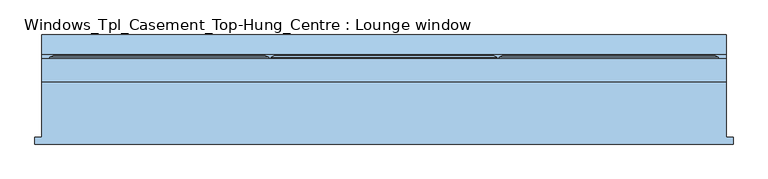
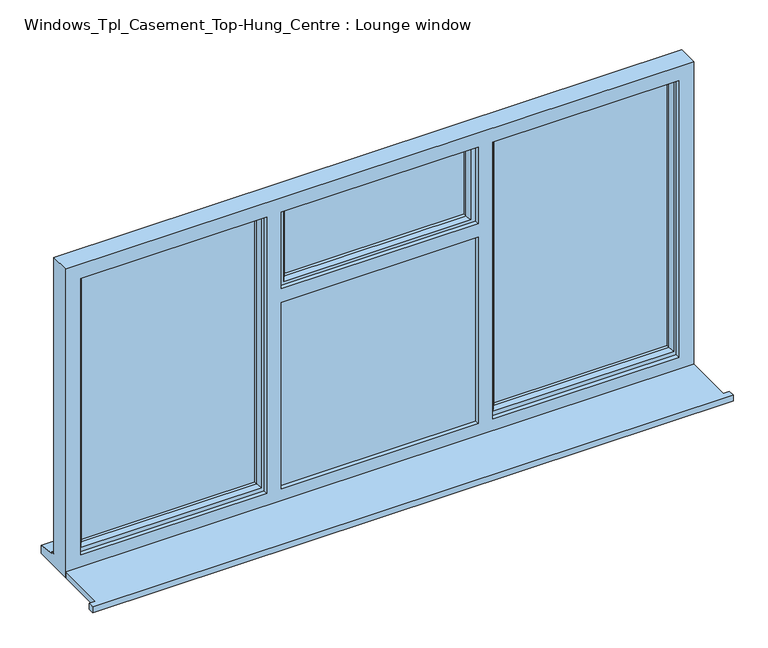
"""IFC4 building model written with IfcOpenShell, lengths in millimetres: window geometry, Windows_Tpl_Casement_Top-Hung_Centre : Lounge window."""

from ifc_helpers import new_model, si_unit, frame, origin, place, context, project, spatial, polyline, outline, extrude, faceted_brep, source, transform, mapped, element, save


def windows_tpl_casement_top_hung_centre_lounge_window_6c3f7fab(model_context):
    return source(origin(), model_context, "Body", "SolidModel", [
        extrude(outline(polyline([(-1966.6666667, -184.5434322), (-1966.6666667, -159.5434322), (-1941.6666667, -159.5434322), (-1941.6666667, 43.4565678), (558.3333333, 43.4565678), (558.3333333, -159.5434322), (583.3333333, -159.5434322), (583.3333333, -184.5434322), (-1966.6666667, -184.5434322)])), frame((0.0, 0.0, 810.0), z_axis=(0.0, 0.0, 1.0), x_axis=(1.0, 0.0, 0.0)), (0.0, 0.0, 1.0), 25.0),
        faceted_brep([(-1091.7025527, 138.0035732, 1711.6307806), (-1103.3333333, 132.2300705, 1700.0), (-1103.3333333, 132.2300705, 2080.0), (-1091.7025527, 138.0035732, 2068.3692194), (-1053.3333333, 132.2300705, 1750.0), (-1072.147899, 138.0035732, 1731.1854344), (-1072.147899, 138.0035732, 2048.8145656), (-1053.3333333, 132.2300705, 2030.0), (-1053.3333333, 114.4565678, 1750.0), (-1053.3333333, 114.4565678, 2030.0), (-1063.3333333, 90.4565678, 1740.0), (-1063.3333333, 114.4565678, 1740.0), (-1063.3333333, 114.4565678, 2040.0), (-1063.3333333, 90.4565678, 2040.0), (-1053.3333333, 75.9494677, 1750.0), (-1053.3333333, 90.4565678, 1750.0), (-1053.3333333, 90.4565678, 2030.0), (-1053.3333333, 75.9494677, 2030.0), (-1063.4813711, 61.4565678, 1739.8519623), (-1063.4813711, 61.4565678, 2040.1480377), (-1093.3333333, 126.4565678, 1710.0), (-1093.3333333, 61.4565678, 1710.0), (-1093.3333333, 61.4565678, 2070.0), (-1093.3333333, 126.4565678, 2070.0), (-1103.3333333, 126.4565678, 1700.0), (-1103.3333333, 126.4565678, 2080.0), (-280.0, 132.2300705, 2080.0), (-291.6307806, 138.0035732, 2068.3692194), (-311.1854344, 138.0035732, 2048.8145656), (-330.0, 132.2300705, 2030.0), (-330.0, 114.4565678, 2030.0), (-320.0, 114.4565678, 2040.0), (-320.0, 90.4565678, 2040.0), (-330.0, 90.4565678, 2030.0), (-330.0, 75.9494677, 2030.0), (-319.8519623, 61.4565678, 2040.1480377), (-290.0, 61.4565678, 2070.0), (-290.0, 126.4565678, 2070.0), (-280.0, 126.4565678, 2080.0), (-280.0, 132.2300705, 1700.0), (-291.6307806, 138.0035732, 1711.6307806), (-311.1854344, 138.0035732, 1731.1854344), (-330.0, 132.2300705, 1750.0), (-330.0, 114.4565678, 1750.0), (-320.0, 114.4565678, 1740.0), (-320.0, 90.4565678, 1740.0), (-330.0, 90.4565678, 1750.0), (-330.0, 75.9494677, 1750.0), (-319.8519623, 61.4565678, 1739.8519623), (-290.0, 61.4565678, 1710.0), (-290.0, 126.4565678, 1710.0), (-280.0, 126.4565678, 1700.0)], [[[0, 1, 2, 3]], [[4, 5, 6, 7]], [[8, 4, 7, 9]], [[10, 11, 12, 13]], [[14, 15, 16, 17]], [[18, 14, 17, 19]], [[20, 21, 22, 23]], [[1, 24, 25, 2]], [[3, 2, 26, 27]], [[7, 6, 28, 29]], [[9, 7, 29, 30]], [[13, 12, 31, 32]], [[17, 16, 33, 34]], [[19, 17, 34, 35]], [[23, 22, 36, 37]], [[2, 25, 38, 26]], [[27, 26, 39, 40]], [[29, 28, 41, 42]], [[30, 29, 42, 43]], [[32, 31, 44, 45]], [[34, 33, 46, 47]], [[35, 34, 47, 48]], [[37, 36, 49, 50]], [[26, 38, 51, 39]], [[40, 39, 1, 0]], [[3, 27, 40, 0], [5, 41, 28, 6]], [[42, 41, 5, 4]], [[43, 42, 4, 8]], [[11, 44, 31, 12], [9, 30, 43, 8]], [[45, 44, 11, 10]], [[13, 32, 45, 10], [15, 46, 33, 16]], [[47, 46, 15, 14]], [[48, 47, 14, 18]], [[21, 49, 36, 22], [19, 35, 48, 18]], [[50, 49, 21, 20]], [[24, 51, 38, 25], [23, 37, 50, 20]], [[39, 51, 24, 1]]]),
        extrude(outline(polyline([(-1093.3333333, 85.4565678), (-290.0, 85.4565678), (-290.0, 61.4565678), (-1093.3333333, 61.4565678), (-1093.3333333, 85.4565678)])), frame((0.0, 0.0, 873.0), z_axis=(0.0, 0.0, 1.0), x_axis=(1.0, 0.0, 0.0)), (0.0, 0.0, 1.0), 807.0),
        extrude(outline(polyline([(-1153.3333333, 90.4565678), (-1871.6666667, 90.4565678), (-1871.6666667, 114.4565678), (-1153.3333333, 114.4565678), (-1153.3333333, 90.4565678)])), frame((0.0, 0.0, 903.0), z_axis=(0.0, 0.0, 1.0), x_axis=(1.0, 0.0, 0.0)), (0.0, 0.0, 1.0), 1137.0),
        extrude(outline(polyline([(-319.8519623, 90.4565678), (-1063.3333333, 90.4565678), (-1063.3333333, 114.4565678), (-319.8519623, 114.4565678), (-319.8519623, 90.4565678)])), frame((0.0, 0.0, 1739.8519623), z_axis=(0.0, 0.0, 1.0), x_axis=(1.0, 0.0, 0.0)), (0.0, 0.0, 1.0), 300.1480377),
        extrude(outline(polyline([(488.3333333, 90.4565678), (-230.0, 90.4565678), (-230.0, 114.4565678), (488.3333333, 114.4565678), (488.3333333, 90.4565678)])), frame((0.0, 0.0, 903.0), z_axis=(0.0, 0.0, 1.0), x_axis=(1.0, 0.0, 0.0)), (0.0, 0.0, 1.0), 1137.0),
        faceted_brep([(558.3333333, 43.4565678, 2110.0), (-1941.6666667, 43.4565678, 2110.0), (-1941.6666667, 43.4565678, 810.0), (558.3333333, 43.4565678, 810.0), (-1083.3333333, 43.4565678, 885.0), (-1083.3333333, 43.4565678, 1670.0), (-300.0, 43.4565678, 1670.0), (-300.0, 43.4565678, 885.0), (-1083.3333333, 43.4565678, 2050.0), (-300.0, 43.4565678, 2050.0), (-300.0, 43.4565678, 1728.0), (-1083.3333333, 43.4565678, 1728.0), (-242.0, 43.4565678, 2050.0), (498.3333333, 43.4565678, 2050.0), (498.3333333, 43.4565678, 885.0), (-242.0, 43.4565678, 885.0), (-1881.6666667, 43.4565678, 2050.0), (-1141.3333333, 43.4565678, 2050.0), (-1141.3333333, 43.4565678, 885.0), (-1881.6666667, 43.4565678, 885.0), (-1941.6666667, 126.4565678, 2110.0), (-1941.6666667, 126.4565678, 861.0), (-1941.6666667, 141.4565678, 859.68767), (-1941.6666667, 141.4565678, 854.7449676), (-1941.6666667, 213.9565678, 843.8088847), (-1941.6666667, 213.9565678, 810.0), (558.3333333, 126.4565678, 2110.0), (558.3333333, 126.4565678, 861.0), (-1901.6666667, 126.4565678, 2070.0), (-1901.6666667, 126.4565678, 873.0), (-1123.3333333, 126.4565678, 873.0), (-1123.3333333, 126.4565678, 2070.0), (-300.0, 126.4565678, 873.0), (-300.0, 126.4565678, 1670.0), (-1083.3333333, 126.4565678, 1670.0), (-1083.3333333, 126.4565678, 873.0), (518.3333333, 126.4565678, 873.0), (518.3333333, 126.4565678, 2070.0), (-1083.3333333, 126.4565678, 2070.0), (-1083.3333333, 126.4565678, 1710.0), (-300.0, 126.4565678, 1710.0), (-300.0, 126.4565678, 2050.0), (-260.0, 126.4565678, 2050.0), (-260.0, 126.4565678, 873.0), (-1901.6666667, 61.4565678, 2070.0), (-1901.6666667, 61.4565678, 873.0), (-1123.3333333, 61.4565678, 2070.0), (-1123.3333333, 61.4565678, 873.0), (-1141.3333333, 61.4565678, 2050.0), (-1881.6666667, 61.4565678, 2050.0), (-1881.6666667, 61.4565678, 885.0), (-1141.3333333, 61.4565678, 885.0), (-1093.3333333, 61.4565678, 2070.0), (518.3333333, 61.4565678, 2070.0), (518.3333333, 61.4565678, 873.0), (-260.0, 61.4565678, 873.0), (-260.0, 61.4565678, 2050.0), (-290.0, 61.4565678, 2050.0), (-290.0, 61.4565678, 1710.0), (-1093.3333333, 61.4565678, 1710.0), (-1083.3333333, 61.4565678, 2050.0), (-1083.3333333, 61.4565678, 1728.0), (-300.0, 61.4565678, 1728.0), (-300.0, 61.4565678, 2050.0), (498.3333333, 61.4565678, 2050.0), (-242.0, 61.4565678, 2050.0), (-242.0, 61.4565678, 885.0), (498.3333333, 61.4565678, 885.0), (-290.0, 61.4565678, 873.0), (-1093.3333333, 61.4565678, 873.0), (-1093.3333333, 61.4565678, 1680.0), (-290.0, 61.4565678, 1680.0), (-1083.3333333, 61.4565678, 885.0), (-300.0, 61.4565678, 885.0), (-300.0, 61.4565678, 1670.0), (-1083.3333333, 61.4565678, 1670.0), (-1093.3333333, 85.4565678, 2070.0), (-1083.3333333, 85.4565678, 2070.0), (558.3333333, 213.9565678, 810.0), (558.3333333, 213.9565678, 843.8088847), (558.3333333, 141.4565678, 854.7449676), (558.3333333, 141.4565678, 859.68767), (-1083.3333333, 85.4565678, 1710.0), (-1083.3333333, 85.4565678, 873.0), (-1083.3333333, 85.4565678, 1670.0), (-1093.3333333, 85.4565678, 1710.0), (-290.0, 85.4565678, 2050.0), (-300.0, 85.4565678, 2050.0), (-300.0, 85.4565678, 1710.0), (-290.0, 85.4565678, 1710.0), (-1093.3333333, 85.4565678, 873.0), (-300.0, 85.4565678, 1670.0), (-300.0, 85.4565678, 873.0), (-290.0, 85.4565678, 873.0), (-290.0, 85.4565678, 1680.0), (-1093.3333333, 85.4565678, 1680.0)], [[[0, 1, 2, 3], [4, 5, 6, 7], [8, 9, 10, 11], [12, 13, 14, 15], [16, 17, 18, 19]], [[1, 20, 21, 22, 23, 24, 25, 2]], [[20, 26, 27, 21], [28, 29, 30, 31], [32, 33, 34, 35], [36, 37, 38, 39, 40, 41, 42, 43]], [[29, 28, 44, 45]], [[44, 46, 47, 45], [48, 49, 50, 51]], [[52, 53, 54, 55, 56, 57, 58, 59], [60, 61, 62, 63], [64, 65, 66, 67]], [[68, 69, 70, 71], [72, 73, 74, 75]], [[49, 16, 19, 50]], [[1, 0, 26, 20]], [[44, 28, 31, 46]], [[37, 53, 52, 76, 77, 38]], [[16, 49, 48, 17]], [[64, 13, 12, 65]], [[8, 60, 63, 9]], [[26, 0, 3, 78, 79, 80, 81, 27]], [[37, 36, 54, 53]], [[13, 64, 67, 14]], [[60, 8, 11, 61]], [[4, 72, 75, 5]], [[17, 48, 51, 18]], [[31, 30, 47, 46]], [[38, 77, 82, 39]], [[83, 35, 34, 84]], [[77, 76, 85, 82]], [[86, 87, 88, 89]], [[90, 83, 84, 91, 92, 93, 94, 95]], [[70, 69, 90, 95]], [[76, 52, 59, 85]], [[56, 42, 41, 87, 86, 57]], [[58, 57, 86, 89]], [[94, 93, 68, 71]], [[87, 41, 40, 88]], [[32, 92, 91, 33]], [[42, 56, 55, 43]], [[65, 12, 15, 66]], [[9, 63, 62, 10]], [[73, 7, 6, 74]], [[78, 3, 2, 25]], [[79, 78, 25, 24]], [[80, 79, 24, 23]], [[81, 80, 23, 22]], [[27, 81, 22, 21]], [[30, 29, 45, 47]], [[32, 35, 83, 90, 69, 68, 93, 92]], [[36, 43, 55, 54]], [[15, 14, 67, 66]], [[51, 50, 19, 18]], [[73, 72, 4, 7]], [[75, 74, 6, 5]], [[62, 61, 11, 10]], [[59, 58, 89, 88, 40, 39, 82, 85]], [[34, 33, 91, 84]], [[71, 70, 95, 94]]]),
        faceted_brep([(-1113.3333333, 126.4565678, 2080.0), (-1113.3333333, 132.2300705, 2080.0), (-1911.6666667, 132.2300705, 2080.0), (-1911.6666667, 126.4565678, 2080.0), (-1123.3333333, 61.4565678, 2070.0), (-1123.3333333, 126.4565678, 2070.0), (-1901.6666667, 126.4565678, 2070.0), (-1901.6666667, 61.4565678, 2070.0), (-1163.3333333, 75.9494677, 2030.0), (-1153.1852956, 61.4565678, 2040.1480377), (-1871.8147044, 61.4565678, 2040.1480377), (-1861.6666667, 75.9494677, 2030.0), (-1163.3333333, 90.4565678, 2030.0), (-1861.6666667, 90.4565678, 2030.0), (-1153.3333333, 114.4565678, 2040.0), (-1153.3333333, 90.4565678, 2040.0), (-1871.6666667, 90.4565678, 2040.0), (-1871.6666667, 114.4565678, 2040.0), (-1163.3333333, 132.2300705, 2030.0), (-1163.3333333, 114.4565678, 2030.0), (-1861.6666667, 114.4565678, 2030.0), (-1861.6666667, 132.2300705, 2030.0), (-1144.5187677, 138.0035732, 2048.8145656), (-1880.4812323, 138.0035732, 2048.8145656), (-1124.964114, 138.0035732, 2068.3692194), (-1900.035886, 138.0035732, 2068.3692194), (-1911.6666667, 132.2300705, 863.0), (-1911.6666667, 126.4565678, 863.0), (-1901.6666667, 126.4565678, 873.0), (-1901.6666667, 61.4565678, 873.0), (-1871.8147044, 61.4565678, 902.8519623), (-1861.6666667, 75.9494677, 913.0), (-1861.6666667, 90.4565678, 913.0), (-1871.6666667, 90.4565678, 903.0), (-1871.6666667, 114.4565678, 903.0), (-1861.6666667, 114.4565678, 913.0), (-1861.6666667, 132.2300705, 913.0), (-1880.4812323, 138.0035732, 894.1854344), (-1900.035886, 138.0035732, 874.6307806), (-1113.3333333, 132.2300705, 863.0), (-1113.3333333, 126.4565678, 863.0), (-1123.3333333, 126.4565678, 873.0), (-1123.3333333, 61.4565678, 873.0), (-1153.1852956, 61.4565678, 902.8519623), (-1163.3333333, 75.9494677, 913.0), (-1163.3333333, 90.4565678, 913.0), (-1153.3333333, 90.4565678, 903.0), (-1153.3333333, 114.4565678, 903.0), (-1163.3333333, 114.4565678, 913.0), (-1163.3333333, 132.2300705, 913.0), (-1144.5187677, 138.0035732, 894.1854344), (-1124.964114, 138.0035732, 874.6307806)], [[[0, 1, 2, 3]], [[4, 5, 6, 7]], [[8, 9, 10, 11]], [[12, 8, 11, 13]], [[14, 15, 16, 17]], [[18, 19, 20, 21]], [[22, 18, 21, 23]], [[1, 24, 25, 2]], [[3, 2, 26, 27]], [[7, 6, 28, 29]], [[11, 10, 30, 31]], [[13, 11, 31, 32]], [[17, 16, 33, 34]], [[21, 20, 35, 36]], [[23, 21, 36, 37]], [[2, 25, 38, 26]], [[27, 26, 39, 40]], [[0, 3, 27, 40], [41, 28, 6, 5]], [[29, 28, 41, 42]], [[4, 7, 29, 42], [43, 30, 10, 9]], [[31, 30, 43, 44]], [[32, 31, 44, 45]], [[46, 33, 16, 15], [12, 13, 32, 45]], [[34, 33, 46, 47]], [[14, 17, 34, 47], [48, 35, 20, 19]], [[36, 35, 48, 49]], [[37, 36, 49, 50]], [[51, 38, 25, 24], [22, 23, 37, 50]], [[26, 38, 51, 39]], [[40, 39, 1, 0]], [[42, 41, 5, 4]], [[44, 43, 9, 8]], [[45, 44, 8, 12]], [[47, 46, 15, 14]], [[49, 48, 19, 18]], [[50, 49, 18, 22]], [[39, 51, 24, 1]]]),
        faceted_brep([(-270.0, 126.4565678, 2080.0), (-270.0, 132.2300705, 2080.0), (-270.0, 132.2300705, 863.0), (-270.0, 126.4565678, 863.0), (-260.0, 61.4565678, 2070.0), (-260.0, 126.4565678, 2070.0), (-260.0, 126.4565678, 873.0), (-260.0, 61.4565678, 873.0), (-220.0, 75.9494677, 2030.0), (-230.1480377, 61.4565678, 2040.1480377), (-230.1480377, 61.4565678, 902.8519623), (-220.0, 75.9494677, 913.0), (-220.0, 90.4565678, 2030.0), (-220.0, 90.4565678, 913.0), (-230.0, 114.4565678, 2040.0), (-230.0, 90.4565678, 2040.0), (-230.0, 90.4565678, 903.0), (-230.0, 114.4565678, 903.0), (-220.0, 132.2300705, 2030.0), (-220.0, 114.4565678, 2030.0), (-220.0, 114.4565678, 913.0), (-220.0, 132.2300705, 913.0), (-237.4457548, 138.0035732, 2047.4457548), (-237.4457548, 138.0035732, 895.5542452), (-259.2153903, 138.0035732, 2069.2153903), (-259.2153903, 138.0035732, 873.7846097), (528.3333333, 132.2300705, 863.0), (528.3333333, 126.4565678, 863.0), (518.3333333, 126.4565678, 873.0), (518.3333333, 61.4565678, 873.0), (488.4813711, 61.4565678, 902.8519623), (478.3333333, 75.9494677, 913.0), (478.3333333, 90.4565678, 913.0), (488.3333333, 90.4565678, 903.0), (488.3333333, 114.4565678, 903.0), (478.3333333, 114.4565678, 913.0), (478.3333333, 132.2300705, 913.0), (495.7790881, 138.0035732, 895.5542452), (517.5487236, 138.0035732, 873.7846097), (528.3333333, 132.2300705, 2080.0), (528.3333333, 126.4565678, 2080.0), (518.3333333, 126.4565678, 2070.0), (518.3333333, 61.4565678, 2070.0), (488.4813711, 61.4565678, 2040.1480377), (478.3333333, 75.9494677, 2030.0), (478.3333333, 90.4565678, 2030.0), (488.3333333, 90.4565678, 2040.0), (488.3333333, 114.4565678, 2040.0), (478.3333333, 114.4565678, 2030.0), (478.3333333, 132.2300705, 2030.0), (495.7790881, 138.0035732, 2047.4457548), (517.5487236, 138.0035732, 2069.2153903)], [[[0, 1, 2, 3]], [[4, 5, 6, 7]], [[8, 9, 10, 11]], [[12, 8, 11, 13]], [[14, 15, 16, 17]], [[18, 19, 20, 21]], [[22, 18, 21, 23]], [[1, 24, 25, 2]], [[3, 2, 26, 27]], [[7, 6, 28, 29]], [[11, 10, 30, 31]], [[13, 11, 31, 32]], [[17, 16, 33, 34]], [[21, 20, 35, 36]], [[23, 21, 36, 37]], [[2, 25, 38, 26]], [[27, 26, 39, 40]], [[29, 28, 41, 42]], [[31, 30, 43, 44]], [[32, 31, 44, 45]], [[34, 33, 46, 47]], [[36, 35, 48, 49]], [[37, 36, 49, 50]], [[26, 38, 51, 39]], [[40, 39, 1, 0]], [[3, 27, 40, 0], [5, 41, 28, 6]], [[42, 41, 5, 4]], [[7, 29, 42, 4], [9, 43, 30, 10]], [[44, 43, 9, 8]], [[45, 44, 8, 12]], [[15, 46, 33, 16], [13, 32, 45, 12]], [[47, 46, 15, 14]], [[17, 34, 47, 14], [19, 48, 35, 20]], [[49, 48, 19, 18]], [[50, 49, 18, 22]], [[24, 51, 38, 25], [23, 37, 50, 22]], [[39, 51, 24, 1]]]),
    ])


if __name__ == "__main__":
    model = new_model("IFC4")
    model_context = context("Model", 3, world=origin())
    ifc_project = project(units=[si_unit("LENGTHUNIT", "METRE", prefix="MILLI")], contexts=[model_context])
    site = spatial("IfcSite", under=ifc_project)
    building = spatial("IfcBuilding", under=site)
    placement = place(None, origin())
    windows_tpl_casement_top_hung_centre_lounge_window_shape = windows_tpl_casement_top_hung_centre_lounge_window_6c3f7fab(model_context)
    element("IfcWindow", 1, ObjectType="Windows_Tpl_Casement_Top-Hung_Centre : Lounge window", at=placement, inside=building, context=model_context, shape_type="MappedRepresentation", body=[
        mapped(windows_tpl_casement_top_hung_centre_lounge_window_shape, transform((0.0, 0.0, 0.0), x_axis=(1.0, 0.0, 0.0), y_axis=(0.0, 1.0, 0.0), z_axis=(0.0, 0.0, 1.0))),
    ])
    save(model, "model.ifc")
